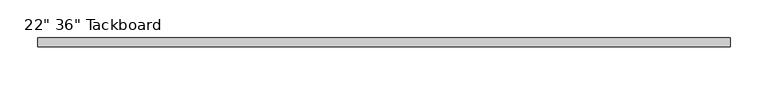
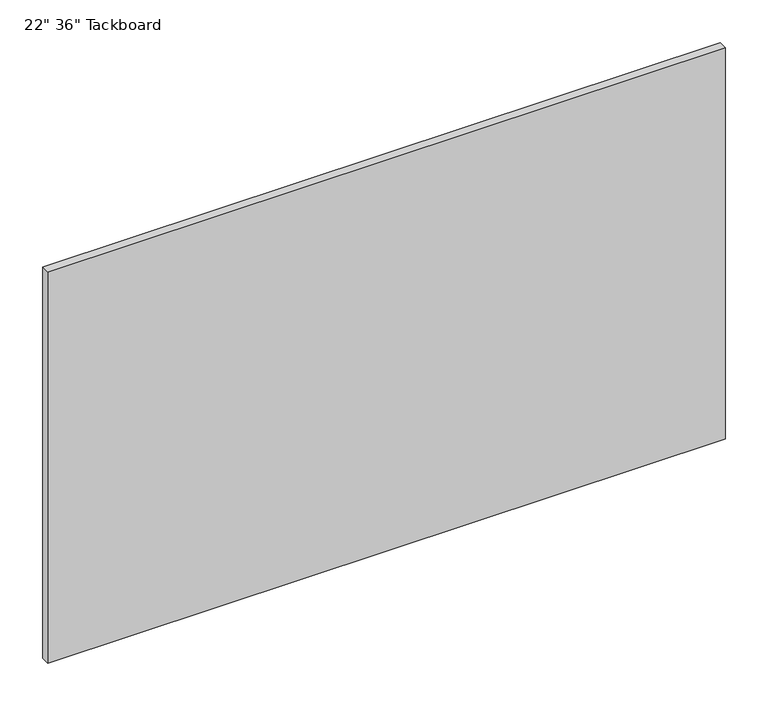
"""IFC4 building model written with IfcOpenShell, lengths in millimetres: furniture geometry."""

from ifc_helpers import new_model, si_unit, frame, origin, place, context, project, spatial, polyline, outline, extrude, source, transform, mapped, element, save


def furniture_9b8f7d67(model_context):
    return source(origin(), model_context, "Body", "SweptSolid", [
        extrude(outline(polyline([(622.3, 0.0), (622.3, -11.90625), (-292.1, -11.90625), (-292.1, 0.0), (622.3, 0.0)])), frame((0.0, 0.0, 762.0), z_axis=(0.0, 0.0, 1.0), x_axis=(1.0, 0.0, 0.0)), (0.0, 0.0, 1.0), 558.8),
    ])


if __name__ == "__main__":
    model = new_model("IFC4")
    model_context = context("Model", 3, world=origin())
    ifc_project = project(units=[si_unit("LENGTHUNIT", "METRE", prefix="MILLI")], contexts=[model_context])
    site = spatial("IfcSite", under=ifc_project)
    building = spatial("IfcBuilding", under=site)
    placement = place(None, origin())
    furniture_shape = furniture_9b8f7d67(model_context)
    element("IfcFurniture", 1, ObjectType="22\" 36\" Tackboard", at=placement, inside=building, context=model_context, shape_type="MappedRepresentation", body=[
        mapped(furniture_shape, transform((0.0, 0.0, 0.0), x_axis=(1.0, 0.0, 0.0), y_axis=(0.0, 1.0, 0.0), z_axis=(0.0, 0.0, 1.0))),
    ])
    save(model, "model.ifc")
